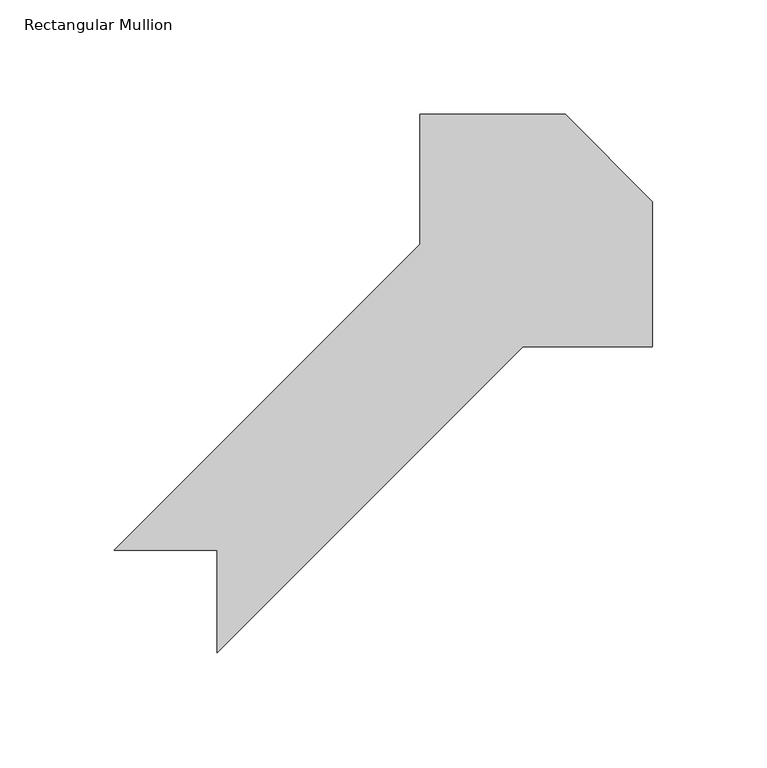
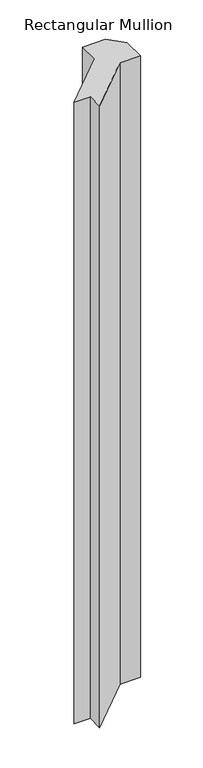
"""IFC4 building model written with IfcOpenShell, lengths in millimetres: member geometry, Rectangular Mullion."""

from ifc_helpers import new_model, si_unit, frame, origin, place, context, project, spatial, polyline, outline, extrude, source, transform, mapped, element, save


def rectangular_mullion_1b76d8cd(model_context):
    return source(origin(), model_context, "Body", "SweptSolid", [
        extrude(outline(polyline([(-161.8794391, -206.8262806), (-161.8794391, -161.925), (-206.7807197, -161.925), (-72.9794391, -28.1237194), (-72.9794391, 28.575), (-9.4794481, 28.575), (28.6205609, -9.525009), (28.6205609, -73.025), (-28.0781585, -73.025), (-161.8794391, -206.8262806)])), frame((0.0, 0.0, -1828.8), z_axis=(0.0, 0.0, 1.0), x_axis=(1.0, 0.0, 0.0)), (0.0, 0.0, 1.0), 1828.8),
    ])


if __name__ == "__main__":
    model = new_model("IFC4")
    model_context = context("Model", 3, world=origin())
    ifc_project = project(units=[si_unit("LENGTHUNIT", "METRE", prefix="MILLI")], contexts=[model_context])
    site = spatial("IfcSite", under=ifc_project)
    building = spatial("IfcBuilding", under=site)
    placement = place(None, origin())
    rectangular_mullion_shape = rectangular_mullion_1b76d8cd(model_context)
    element("IfcMember", 1, ObjectType="Rectangular Mullion", at=placement, inside=building, context=model_context, shape_type="MappedRepresentation", body=[
        mapped(rectangular_mullion_shape, transform((0.0, 0.0, 0.0), x_axis=(1.0, 0.0, 0.0), y_axis=(0.0, 1.0, 0.0), z_axis=(0.0, 0.0, 1.0))),
    ])
    save(model, "model.ifc")
